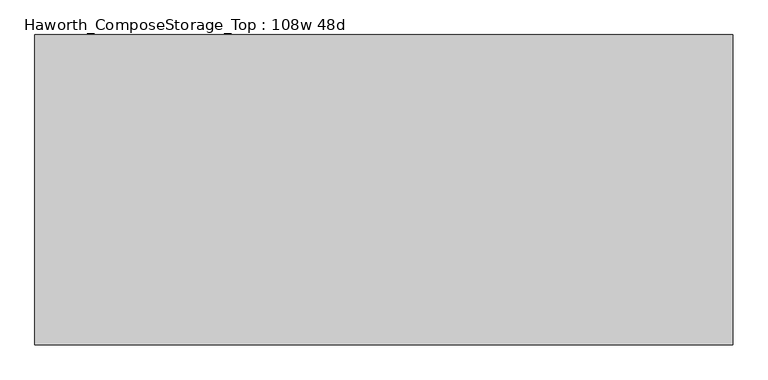
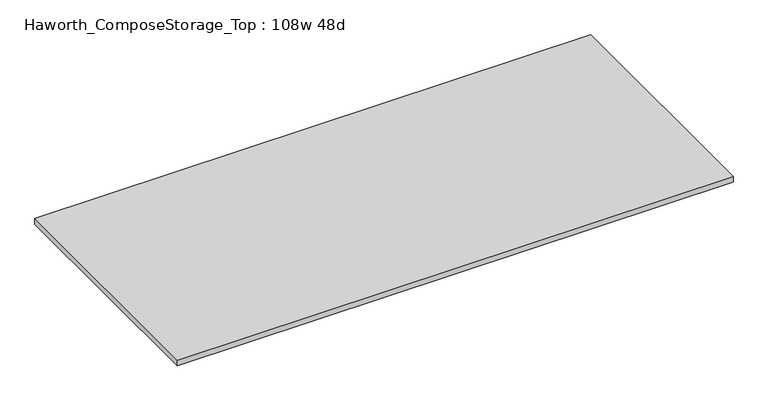
"""IFC4 building model written with IfcOpenShell, lengths in millimetres: furniture geometry, Haworth_ComposeStorage_Top : 108w 48d."""

from ifc_helpers import new_model, si_unit, frame, origin, place, context, project, spatial, polyline, outline, extrude, source, transform, mapped, element, save


def haworth_composestorage_top_108w_48d_05c97783(model_context):
    return source(origin(), model_context, "Body", "SweptSolid", [
        extrude(outline(polyline([(1371.6, 609.6), (1371.6, -609.6), (-1371.6, -609.6), (-1371.6, 609.6), (1371.6, 609.6)])), frame((0.0, 0.0, 706.4375), z_axis=(0.0, 0.0, 1.0), x_axis=(1.0, 0.0, 0.0)), (0.0, 0.0, 1.0), 30.1625),
    ])


if __name__ == "__main__":
    model = new_model("IFC4")
    model_context = context("Model", 3, world=origin())
    ifc_project = project(units=[si_unit("LENGTHUNIT", "METRE", prefix="MILLI")], contexts=[model_context])
    site = spatial("IfcSite", under=ifc_project)
    building = spatial("IfcBuilding", under=site)
    placement = place(None, origin())
    haworth_composestorage_top_108w_48d_shape = haworth_composestorage_top_108w_48d_05c97783(model_context)
    element("IfcFurniture", 1, ObjectType="Haworth_ComposeStorage_Top : 108w 48d", at=placement, inside=building, context=model_context, shape_type="MappedRepresentation", body=[
        mapped(haworth_composestorage_top_108w_48d_shape, transform((0.0, 0.0, 0.0), x_axis=(1.0, 0.0, 0.0), y_axis=(0.0, 1.0, 0.0), z_axis=(0.0, 0.0, 1.0))),
    ])
    save(model, "model.ifc")
